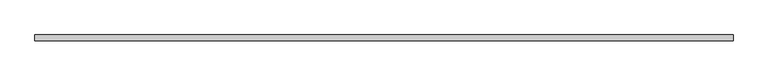
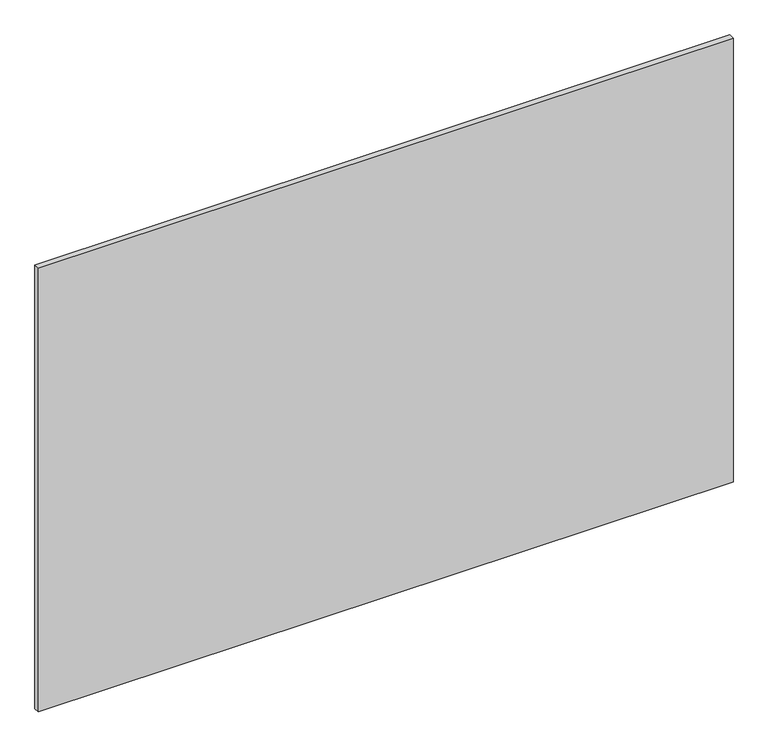
"""IFC4 building model written with IfcOpenShell, lengths in millimetres: plate geometry."""

from ifc_helpers import new_model, si_unit, origin, origin_with_axes, place, context, project, spatial, polyline, outline, extrude, source, transform, mapped, element, save


def plate_da444ebe(model_context):
    return source(origin(), model_context, "Body", "SweptSolid", [
        extrude(outline(polyline([(616.65, 5.0), (616.65, -5.0), (-616.65, -5.0), (-616.65, 5.0), (616.65, 5.0)])), origin_with_axes(), (0.0, 0.0, 1.0), 833.3),
    ])


if __name__ == "__main__":
    model = new_model("IFC4")
    model_context = context("Model", 3, world=origin())
    ifc_project = project(units=[si_unit("LENGTHUNIT", "METRE", prefix="MILLI")], contexts=[model_context])
    site = spatial("IfcSite", under=ifc_project)
    building = spatial("IfcBuilding", under=site)
    placement = place(None, origin())
    plate_shape = plate_da444ebe(model_context)
    element("IfcPlate", 1, at=placement, inside=building, context=model_context, shape_type="MappedRepresentation", body=[
        mapped(plate_shape, transform((0.0, 0.0, 0.0), x_axis=(1.0, 0.0, 0.0), y_axis=(0.0, 1.0, 0.0), z_axis=(0.0, 0.0, 1.0))),
    ])
    save(model, "model.ifc")
